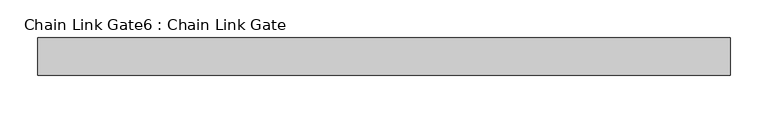
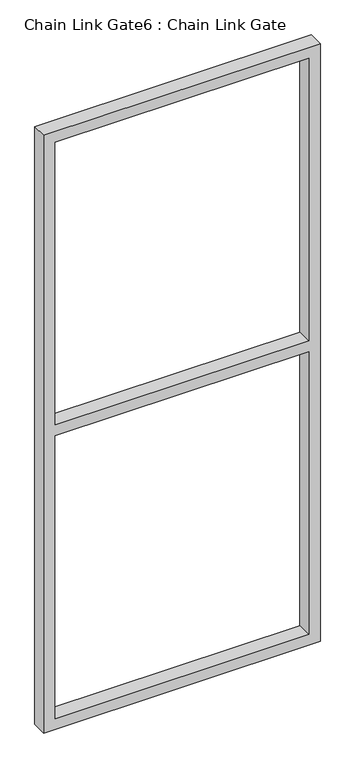
"""IFC4 building model written with IfcOpenShell, lengths in millimetres: proxy geometry, Chain Link Gate6 : Chain Link Gate."""

from ifc_helpers import new_model, si_unit, frame, origin, place, context, project, spatial, polyline, outline, extrude, source, transform, mapped, element, save


def chain_link_gate6_chain_link_gate_486b2eb2(model_context):
    return source(origin(), model_context, "Body", "SweptSolid", [
        extrude(outline(polyline([(2120.9, -29913.6368371), (12.7, -29913.6368371), (12.7, -28989.7118371), (2120.9, -28989.7118371), (2120.9, -29913.6368371)]), holes=[polyline([(2082.8, -29875.5368371), (2082.8, -29027.8118371), (1085.85, -29027.8118371), (1085.85, -29875.5368371), (2082.8, -29875.5368371)]), polyline([(1047.75, -29027.8118371), (50.8, -29027.8118371), (50.8, -29875.5368371), (1047.75, -29875.5368371), (1047.75, -29027.8118371)])]), frame((0.0, 726.8706482, 0.0), z_axis=(0.0, 1.0, 0.0), x_axis=(0.0, 0.0, 1.0)), (0.0, 0.0, 1.0), 50.1314753),
    ])


if __name__ == "__main__":
    model = new_model("IFC4")
    model_context = context("Model", 3, world=origin())
    ifc_project = project(units=[si_unit("LENGTHUNIT", "METRE", prefix="MILLI")], contexts=[model_context])
    site = spatial("IfcSite", under=ifc_project)
    building = spatial("IfcBuilding", under=site)
    placement = place(None, origin())
    chain_link_gate6_chain_link_gate_shape = chain_link_gate6_chain_link_gate_486b2eb2(model_context)
    element("IfcBuildingElementProxy", 1, Name="Chain Link Gate6 : Chain Link Gate", ObjectType="Chain Link Gate6 : Chain Link Gate", at=placement, inside=building, context=model_context, shape_type="MappedRepresentation", body=[
        mapped(chain_link_gate6_chain_link_gate_shape, transform((0.0, 0.0, 0.0), x_axis=(1.0, 0.0, 0.0), y_axis=(0.0, 1.0, 0.0), z_axis=(0.0, 0.0, 1.0))),
    ])
    save(model, "model.ifc")
